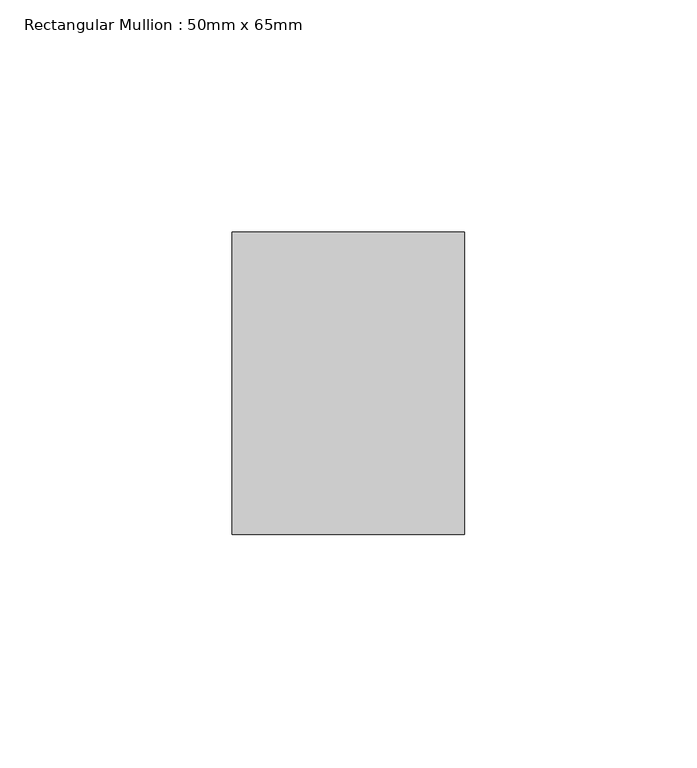
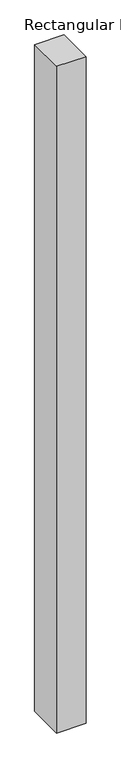
"""IFC4 building model written with IfcOpenShell, lengths in millimetres: member geometry, Rectangular Mullion : 50mm x 65mm."""

from ifc_helpers import new_model, si_unit, frame, origin, place, context, project, spatial, polyline, outline, extrude, source, transform, mapped, element, save


def rectangular_mullion_50mm_x_65mm_7a1f5688(model_context):
    return source(origin(), model_context, "Body", "SweptSolid", [
        extrude(outline(polyline([(25.0, 32.5), (25.0, -32.5), (-25.0, -32.5), (-25.0, 32.5), (25.0, 32.5)])), frame((0.0, 0.0, -1205.1793631), z_axis=(0.0, 0.0, 1.0), x_axis=(1.0, 0.0, 0.0)), (0.0, 0.0, 1.0), 1205.1793631),
    ])


if __name__ == "__main__":
    model = new_model("IFC4")
    model_context = context("Model", 3, world=origin())
    ifc_project = project(units=[si_unit("LENGTHUNIT", "METRE", prefix="MILLI")], contexts=[model_context])
    site = spatial("IfcSite", under=ifc_project)
    building = spatial("IfcBuilding", under=site)
    placement = place(None, origin())
    rectangular_mullion_50mm_x_65mm_shape = rectangular_mullion_50mm_x_65mm_7a1f5688(model_context)
    element("IfcMember", 1, ObjectType="Rectangular Mullion : 50mm x 65mm", at=placement, inside=building, context=model_context, shape_type="MappedRepresentation", body=[
        mapped(rectangular_mullion_50mm_x_65mm_shape, transform((0.0, 0.0, 0.0), x_axis=(1.0, 0.0, 0.0), y_axis=(0.0, 1.0, 0.0), z_axis=(0.0, 0.0, 1.0))),
    ])
    save(model, "model.ifc")
